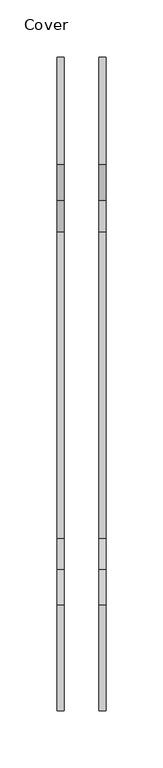
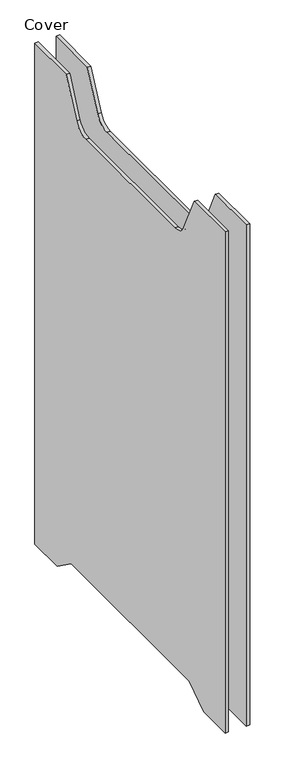
"""IFC4 building model written with IfcOpenShell, lengths in millimetres: furniture geometry, Cover."""

import ifcopenshell
import ifcopenshell.guid

model = None  # the IFC model being written
_history = None  # IfcOwnerHistory: only IFC2X3 demands one
_inside = {}  # id of a spatial element -> (the spatial element, [elements in it])
_under = {}  # id of a project, library or spatial element -> (it, [spatial elements below it])
_declared = {}  # id of a project -> (the project, [libraries it declares])
_typed = {}  # id of a type object -> (the type object, [elements of that type])
_made_of = {}  # id of a material, layer set ... -> (it, [elements and type objects made of it])


def new_model(schema):
    """Start an empty IFC model of exactly this schema.

    Asked for "IFC4X3", IfcOpenShell would pick the latest addendum, in which some entities
    have other attributes; the version numbers below select the first issue.
    IFC2X3 requires an IfcOwnerHistory on every rooted entity: one is made here for all.
    """
    global model, _history
    if schema == "IFC4X3":
        model = ifcopenshell.file(schema_version=(4, 3, 0, 0))
    else:
        model = ifcopenshell.file(schema=schema)
    _inside.clear()
    _under.clear()
    _declared.clear()
    _typed.clear()
    _made_of.clear()
    _history = None
    if model.schema == "IFC2X3":
        org = make("IfcOrganization", Name="unknown")
        user = make(
            "IfcPersonAndOrganization",
            ThePerson=make("IfcPerson", FamilyName="unknown"),
            TheOrganization=org,
        )
        app = make(
            "IfcApplication",
            ApplicationDeveloper=org,
            Version="unknown",
            ApplicationFullName="unknown",
            ApplicationIdentifier="unknown",
        )
        _history = make(
            "IfcOwnerHistory",
            OwningUser=user,
            OwningApplication=app,
            ChangeAction="ADDED",
            CreationDate=0,
        )
    return model


def make(cls, **values):
    """One entity of the class cls with the attributes given. An attribute that is None is left unset."""
    return model.create_entity(
        cls, **{name: value for name, value in values.items() if value is not None}
    )


def rooted(cls, **values):
    """An entity with a GlobalId (a new one), such as an element, a storey or a relation."""
    return make(cls, GlobalId=ifcopenshell.guid.new(), OwnerHistory=_history, **values)


def si_unit(unit_type, name, prefix=None):
    """IfcSIUnit, for example si_unit("LENGTHUNIT", "METRE", prefix="MILLI")."""
    return make("IfcSIUnit", UnitType=unit_type, Prefix=prefix, Name=name)


def assignment(units):
    """IfcUnitAssignment: the units of a project."""
    return None if units is None else make("IfcUnitAssignment", Units=units)


def point(xyz):
    """IfcCartesianPoint."""
    return None if xyz is None else make("IfcCartesianPoint", Coordinates=xyz)


def direction(xyz):
    """IfcDirection."""
    return None if xyz is None else make("IfcDirection", DirectionRatios=xyz)


def frame(location, z_axis=None, x_axis=None):
    """IfcAxis2Placement3D, a coordinate frame: its origin and axes. An axis left out is left unset."""
    return make(
        "IfcAxis2Placement3D",
        Location=point(location),
        Axis=direction(z_axis),
        RefDirection=direction(x_axis),
    )


def frame_2d(location, x_axis=None):
    """IfcAxis2Placement2D, a coordinate frame in the plane: its origin and x axis."""
    return make(
        "IfcAxis2Placement2D", Location=point(location), RefDirection=direction(x_axis)
    )


def origin():
    """The frame at (0, 0, 0) with its axes left unset."""
    return frame((0.0, 0.0, 0.0))


def place(relative_to, where):
    """IfcLocalPlacement: puts the frame where relative to a parent placement (None: the world)."""
    return make(
        "IfcLocalPlacement", PlacementRelTo=relative_to, RelativePlacement=where
    )


def context(
    kind, dimensions, precision=None, world=None, true_north=None, identifier=None
):
    """IfcGeometricRepresentationContext, for example the 3D "Model" context."""
    return make(
        "IfcGeometricRepresentationContext",
        ContextIdentifier=identifier,
        ContextType=kind,
        CoordinateSpaceDimension=dimensions,
        Precision=precision,
        WorldCoordinateSystem=world,
        TrueNorth=true_north,
    )


def project(units=None, contexts=None):
    """IfcProject with its units and contexts."""
    return rooted(
        "IfcProject",
        Name="project",
        RepresentationContexts=contexts,
        UnitsInContext=assignment(units),
    )


def spatial(cls, under=None, at=None, **own):
    """A site, building, storey or space (cls), placed at a placement, below another one or the project."""
    s = rooted(cls, ObjectPlacement=at, **own)
    if under is not None:
        _under.setdefault(under.id(), (under, []))[1].append(s)
    return s


def polyline(points):
    """IfcPolyline through the points."""
    return make("IfcPolyline", Points=[point(p) for p in points])


def circle_curve(where, radius):
    """IfcCircle in the frame where."""
    return make("IfcCircle", Position=where, Radius=radius)


def trimmed(basis, trim1, trim2, sense, master):
    """IfcTrimmedCurve: the piece of a basis curve between two trims."""
    return make(
        "IfcTrimmedCurve",
        BasisCurve=basis,
        Trim1=trim1,
        Trim2=trim2,
        SenseAgreement=sense,
        MasterRepresentation=master,
    )


def segment(curve, same_sense, transition):
    """IfcCompositeCurveSegment."""
    return make(
        "IfcCompositeCurveSegment",
        Transition=transition,
        SameSense=same_sense,
        ParentCurve=curve,
    )


def composite_curve(segments, self_intersect=None):
    """IfcCompositeCurve: segments joined end to end."""
    return make("IfcCompositeCurve", Segments=segments, SelfIntersect=self_intersect)


def outline(outer, holes=None, kind="AREA"):
    """IfcArbitraryClosedProfileDef: a profile drawn as a closed curve; with holes, ...WithVoids."""
    if holes is None:
        return make("IfcArbitraryClosedProfileDef", ProfileType=kind, OuterCurve=outer)
    return make(
        "IfcArbitraryProfileDefWithVoids",
        ProfileType=kind,
        OuterCurve=outer,
        InnerCurves=holes,
    )


def extrude(swept, where, along, depth):
    """IfcExtrudedAreaSolid: the profile swept, set in the frame where, extruded along a direction by depth."""
    return make(
        "IfcExtrudedAreaSolid",
        SweptArea=swept,
        Position=where,
        ExtrudedDirection=direction(along),
        Depth=depth,
    )


def shape(context_of_items, identifier, shape_type, items):
    """IfcShapeRepresentation: the items that make up one representation, for example the "Body"."""
    return make(
        "IfcShapeRepresentation",
        ContextOfItems=context_of_items,
        RepresentationIdentifier=identifier,
        RepresentationType=shape_type,
        Items=items,
    )


def source(mapping_origin, context_of_items, identifier, shape_type, items):
    """IfcRepresentationMap: a shape defined once, which mapped items show again and again."""
    return make(
        "IfcRepresentationMap",
        MappingOrigin=mapping_origin,
        MappedRepresentation=shape(context_of_items, identifier, shape_type, items),
    )


def transform(
    local_origin,
    x_axis=None,
    y_axis=None,
    z_axis=None,
    scale=None,
    scale2=None,
    scale3=None,
    uniform=True,
):
    """IfcCartesianTransformationOperator3D, or its non-uniform kind. x_axis, y_axis, z_axis: its Axis1, 2, 3."""
    if uniform:
        return make(
            "IfcCartesianTransformationOperator3D",
            Axis1=direction(x_axis),
            Axis2=direction(y_axis),
            LocalOrigin=point(local_origin),
            Scale=scale,
            Axis3=direction(z_axis),
        )
    return make(
        "IfcCartesianTransformationOperator3DnonUniform",
        Axis1=direction(x_axis),
        Axis2=direction(y_axis),
        LocalOrigin=point(local_origin),
        Scale=scale,
        Axis3=direction(z_axis),
        Scale2=scale2,
        Scale3=scale3,
    )


def mapped(mapping_source, mapping_target):
    """IfcMappedItem: shows the shape of a source again, moved by a transform."""
    return make(
        "IfcMappedItem", MappingSource=mapping_source, MappingTarget=mapping_target
    )


def made_of(thing, what):
    """Note that an element or type object is made of a material, layer set ...; save() writes the relation."""
    if what is not None:
        _made_of.setdefault(what.id(), (what, []))[1].append(thing)
    return thing


def element(
    cls,
    number,
    at=None,
    inside=None,
    cuts=None,
    type_object=None,
    material=None,
    context=None,
    identifier="Body",
    shape_type=None,
    held_by="IfcProductDefinitionShape",
    body=None,
    shapes=None,
    **own,
):
    """One element of the class cls, such as IfcWall. Its Tag is "e" and its number.

    at: its placement. inside: the storey or other place that contains it. cuts: it is an
    opening in that element (IfcRelVoidsElement). A single representation is given by context,
    identifier, shape_type and body (its items); several are given by shapes. held_by: the class
    of the entity that holds the representations. save() writes the other relations.
    """
    e = rooted(cls, Tag="e%d" % number, ObjectPlacement=at, **own)
    if body is not None:
        shapes = [shape(context, identifier, shape_type, body)]
    if shapes is not None:
        e.Representation = make(held_by, Representations=shapes)
    if inside is not None:
        _inside.setdefault(inside.id(), (inside, []))[1].append(e)
    if cuts is not None:
        rooted(
            "IfcRelVoidsElement", RelatingBuildingElement=cuts, RelatedOpeningElement=e
        )
    if type_object is not None:
        _typed.setdefault(type_object.id(), (type_object, []))[1].append(e)
    return made_of(e, material)


def aggregate(whole, parts):
    """IfcRelAggregates: a whole, such as a stair, and the parts it consists of."""
    return rooted("IfcRelAggregates", RelatingObject=whole, RelatedObjects=parts)


def save(model, path):
    """Write the relations noted so far, then the file.

    IfcRelAggregates (storeys below a building ...), IfcRelContainedInSpatialStructure (elements
    in a storey), IfcRelDefinesByType, IfcRelAssociatesMaterial and IfcRelDeclares: one each for
    every whole, place, type object, material and project.
    """
    for whole, parts in _under.values():
        aggregate(whole, parts)
    for where, things in _inside.values():
        rooted(
            "IfcRelContainedInSpatialStructure",
            RelatedElements=things,
            RelatingStructure=where,
        )
    for kind, things in _typed.values():
        rooted("IfcRelDefinesByType", RelatedObjects=things, RelatingType=kind)
    for what, things in _made_of.values():
        rooted("IfcRelAssociatesMaterial", RelatedObjects=things, RelatingMaterial=what)
    for by, libraries in _declared.values():
        rooted("IfcRelDeclares", RelatingContext=by, RelatedDefinitions=libraries)
    model.write(path)


def cover_6068c169(model_context):
    return source(origin(), model_context, "Body", "SweptSolid", [
        extrude(outline(composite_curve([segment(polyline([(166.5381307, 928.0012774), (260.5558235, 928.0012774), (260.5558235, 10.0002448), (193.676163, 10.0002448), (151.9858949, 40.0001831), (-202.9282377, 40.0001831), (-245.7722884, 10.0004558), (-309.9661438, 10.0004867), (-309.9661438, 928.0012774), (-217.5869158, 928.0012774), (-186.5767816, 861.49983)]), True, "CONTINUOUS"), segment(trimmed(circle_curve(frame_2d((-159.387548, 874.1783778)), 30.0), [point((-186.5767816, 861.49983))], [point((-159.387548, 844.1783778))], True, "CARTESIAN"), True, "CONTINUOUS"), segment(polyline([(-159.387548, 844.1783778), (108.3387629, 844.1783778)]), True, "CONTINUOUS"), segment(trimmed(circle_curve(frame_2d((108.3387629, 874.1783778)), 30.0), [point((108.3387629, 844.1783778))], [point((135.5279965, 861.49983))], True, "CARTESIAN"), True, "CONTINUOUS"), segment(polyline([(135.5279965, 861.49983), (166.5381307, 928.0012774)]), True, "CONTINUOUS")], self_intersect=False)), frame((15.3830196, 0.0, 0.0), z_axis=(1.0, 0.0, 0.0), x_axis=(0.0, 1.0, 0.0)), (0.0, 0.0, 1.0), 5.9248431),
        extrude(outline(composite_curve([segment(polyline([(166.5381307, 928.0012774), (260.5558235, 928.0012774), (260.5558235, 10.0002448), (193.676163, 10.0002448), (151.9858949, 40.0001831), (-202.9282377, 40.0001831), (-245.7722884, 10.0004558), (-309.9661438, 10.0004867), (-309.9661438, 928.0012774), (-217.5869158, 928.0012774), (-186.5767816, 861.49983)]), True, "CONTINUOUS"), segment(trimmed(circle_curve(frame_2d((-159.387548, 874.1783778)), 30.0), [point((-186.5767816, 861.49983))], [point((-159.387548, 844.1783778))], True, "CARTESIAN"), True, "CONTINUOUS"), segment(polyline([(-159.387548, 844.1783778), (108.3387629, 844.1783778)]), True, "CONTINUOUS"), segment(trimmed(circle_curve(frame_2d((108.3387629, 874.1783778)), 30.0), [point((108.3387629, 844.1783778))], [point((135.5279965, 861.49983))], True, "CARTESIAN"), True, "CONTINUOUS"), segment(polyline([(135.5279965, 861.49983), (166.5381307, 928.0012774)]), True, "CONTINUOUS")], self_intersect=False)), frame((-21.3078628, 0.0, 0.0), z_axis=(1.0, 0.0, 0.0), x_axis=(0.0, 1.0, 0.0)), (0.0, 0.0, 1.0), 5.9248431),
    ])


if __name__ == "__main__":
    model = new_model("IFC4")
    model_context = context("Model", 3, world=origin())
    ifc_project = project(units=[si_unit("LENGTHUNIT", "METRE", prefix="MILLI")], contexts=[model_context])
    site = spatial("IfcSite", under=ifc_project)
    building = spatial("IfcBuilding", under=site)
    placement = place(None, origin())
    cover_shape = cover_6068c169(model_context)
    element("IfcFurniture", 1, ObjectType="Cover", at=placement, inside=building, context=model_context, shape_type="MappedRepresentation", body=[
        mapped(cover_shape, transform((0.0, 0.0, 0.0), x_axis=(1.0, 0.0, 0.0), y_axis=(0.0, 1.0, 0.0), z_axis=(0.0, 0.0, 1.0))),
    ])
    save(model, "model.ifc")
